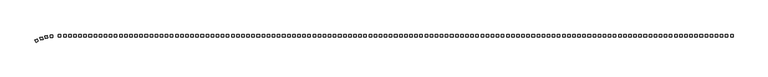
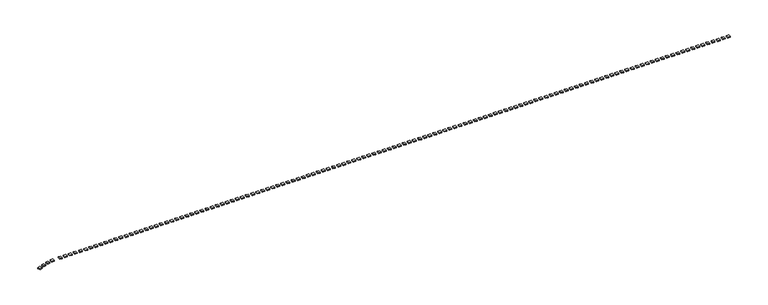
"""IFC4 building model written with IfcOpenShell, lengths in millimetres: railing geometry."""

from ifc_helpers import new_model, si_unit, origin, origin_with_axes, place, context, project, spatial, polyline, outline, extrude, source, transform, mapped, element, save


def railing_ab436716(model_context):
    return source(origin(), model_context, "Body", "SweptSolid", [
        extrude(outline(polyline([(63368.8585137, 37204.1784497), (63368.8585137, 36704.1784497), (62868.8585137, 36704.1784497), (62868.8585137, 37204.1784497), (63368.8585137, 37204.1784497)])), origin_with_axes(), (0.0, 0.0, 1.0), 200.0),
        extrude(outline(polyline([(62368.8585137, 37204.1784497), (62368.8585137, 36704.1784497), (61868.8585137, 36704.1784497), (61868.8585137, 37204.1784497), (62368.8585137, 37204.1784497)])), origin_with_axes(), (0.0, 0.0, 1.0), 200.0),
        extrude(outline(polyline([(61368.8585137, 37204.1784497), (61368.8585137, 36704.1784497), (60868.8585137, 36704.1784497), (60868.8585137, 37204.1784497), (61368.8585137, 37204.1784497)])), origin_with_axes(), (0.0, 0.0, 1.0), 200.0),
        extrude(outline(polyline([(60368.8585137, 37204.1784497), (60368.8585137, 36704.1784497), (59868.8585137, 36704.1784497), (59868.8585137, 37204.1784497), (60368.8585137, 37204.1784497)])), origin_with_axes(), (0.0, 0.0, 1.0), 200.0),
        extrude(outline(polyline([(59368.8585137, 37204.1784497), (59368.8585137, 36704.1784497), (58868.8585137, 36704.1784497), (58868.8585137, 37204.1784497), (59368.8585137, 37204.1784497)])), origin_with_axes(), (0.0, 0.0, 1.0), 200.0),
        extrude(outline(polyline([(58368.8585137, 37204.1784497), (58368.8585137, 36704.1784497), (57868.8585137, 36704.1784497), (57868.8585137, 37204.1784497), (58368.8585137, 37204.1784497)])), origin_with_axes(), (0.0, 0.0, 1.0), 200.0),
        extrude(outline(polyline([(57368.8585137, 37204.1784497), (57368.8585137, 36704.1784497), (56868.8585137, 36704.1784497), (56868.8585137, 37204.1784497), (57368.8585137, 37204.1784497)])), origin_with_axes(), (0.0, 0.0, 1.0), 200.0),
        extrude(outline(polyline([(56368.8585137, 37204.1784497), (56368.8585137, 36704.1784497), (55868.8585137, 36704.1784497), (55868.8585137, 37204.1784497), (56368.8585137, 37204.1784497)])), origin_with_axes(), (0.0, 0.0, 1.0), 200.0),
        extrude(outline(polyline([(55368.8585137, 37204.1784497), (55368.8585137, 36704.1784497), (54868.8585137, 36704.1784497), (54868.8585137, 37204.1784497), (55368.8585137, 37204.1784497)])), origin_with_axes(), (0.0, 0.0, 1.0), 200.0),
        extrude(outline(polyline([(54368.8585137, 37204.1784497), (54368.8585137, 36704.1784497), (53868.8585137, 36704.1784497), (53868.8585137, 37204.1784497), (54368.8585137, 37204.1784497)])), origin_with_axes(), (0.0, 0.0, 1.0), 200.0),
        extrude(outline(polyline([(53368.8585137, 37204.1784497), (53368.8585137, 36704.1784497), (52868.8585137, 36704.1784497), (52868.8585137, 37204.1784497), (53368.8585137, 37204.1784497)])), origin_with_axes(), (0.0, 0.0, 1.0), 200.0),
        extrude(outline(polyline([(52368.8585137, 37204.1784497), (52368.8585137, 36704.1784497), (51868.8585137, 36704.1784497), (51868.8585137, 37204.1784497), (52368.8585137, 37204.1784497)])), origin_with_axes(), (0.0, 0.0, 1.0), 200.0),
        extrude(outline(polyline([(51368.8585137, 37204.1784497), (51368.8585137, 36704.1784497), (50868.8585137, 36704.1784497), (50868.8585137, 37204.1784497), (51368.8585137, 37204.1784497)])), origin_with_axes(), (0.0, 0.0, 1.0), 200.0),
        extrude(outline(polyline([(50368.8585137, 37204.1784497), (50368.8585137, 36704.1784497), (49868.8585137, 36704.1784497), (49868.8585137, 37204.1784497), (50368.8585137, 37204.1784497)])), origin_with_axes(), (0.0, 0.0, 1.0), 200.0),
        extrude(outline(polyline([(49368.8585137, 37204.1784497), (49368.8585137, 36704.1784497), (48868.8585137, 36704.1784497), (48868.8585137, 37204.1784497), (49368.8585137, 37204.1784497)])), origin_with_axes(), (0.0, 0.0, 1.0), 200.0),
        extrude(outline(polyline([(48368.8585137, 37204.1784497), (48368.8585137, 36704.1784497), (47868.8585137, 36704.1784497), (47868.8585137, 37204.1784497), (48368.8585137, 37204.1784497)])), origin_with_axes(), (0.0, 0.0, 1.0), 200.0),
        extrude(outline(polyline([(47368.8585137, 37204.1784497), (47368.8585137, 36704.1784497), (46868.8585137, 36704.1784497), (46868.8585137, 37204.1784497), (47368.8585137, 37204.1784497)])), origin_with_axes(), (0.0, 0.0, 1.0), 200.0),
        extrude(outline(polyline([(46368.8585137, 37204.1784497), (46368.8585137, 36704.1784497), (45868.8585137, 36704.1784497), (45868.8585137, 37204.1784497), (46368.8585137, 37204.1784497)])), origin_with_axes(), (0.0, 0.0, 1.0), 200.0),
        extrude(outline(polyline([(45368.8585137, 37204.1784497), (45368.8585137, 36704.1784497), (44868.8585137, 36704.1784497), (44868.8585137, 37204.1784497), (45368.8585137, 37204.1784497)])), origin_with_axes(), (0.0, 0.0, 1.0), 200.0),
        extrude(outline(polyline([(44368.8585137, 37204.1784497), (44368.8585137, 36704.1784497), (43868.8585137, 36704.1784497), (43868.8585137, 37204.1784497), (44368.8585137, 37204.1784497)])), origin_with_axes(), (0.0, 0.0, 1.0), 200.0),
        extrude(outline(polyline([(43368.8585137, 37204.1784497), (43368.8585137, 36704.1784497), (42868.8585137, 36704.1784497), (42868.8585137, 37204.1784497), (43368.8585137, 37204.1784497)])), origin_with_axes(), (0.0, 0.0, 1.0), 200.0),
        extrude(outline(polyline([(42368.8585137, 37204.1784497), (42368.8585137, 36704.1784497), (41868.8585137, 36704.1784497), (41868.8585137, 37204.1784497), (42368.8585137, 37204.1784497)])), origin_with_axes(), (0.0, 0.0, 1.0), 200.0),
        extrude(outline(polyline([(41368.8585137, 37204.1784497), (41368.8585137, 36704.1784497), (40868.8585137, 36704.1784497), (40868.8585137, 37204.1784497), (41368.8585137, 37204.1784497)])), origin_with_axes(), (0.0, 0.0, 1.0), 200.0),
        extrude(outline(polyline([(40368.8585137, 37204.1784497), (40368.8585137, 36704.1784497), (39868.8585137, 36704.1784497), (39868.8585137, 37204.1784497), (40368.8585137, 37204.1784497)])), origin_with_axes(), (0.0, 0.0, 1.0), 200.0),
        extrude(outline(polyline([(39368.8585137, 37204.1784497), (39368.8585137, 36704.1784497), (38868.8585137, 36704.1784497), (38868.8585137, 37204.1784497), (39368.8585137, 37204.1784497)])), origin_with_axes(), (0.0, 0.0, 1.0), 200.0),
        extrude(outline(polyline([(38368.8585137, 37204.1784497), (38368.8585137, 36704.1784497), (37868.8585137, 36704.1784497), (37868.8585137, 37204.1784497), (38368.8585137, 37204.1784497)])), origin_with_axes(), (0.0, 0.0, 1.0), 200.0),
        extrude(outline(polyline([(37368.8585137, 37204.1784497), (37368.8585137, 36704.1784497), (36868.8585137, 36704.1784497), (36868.8585137, 37204.1784497), (37368.8585137, 37204.1784497)])), origin_with_axes(), (0.0, 0.0, 1.0), 200.0),
        extrude(outline(polyline([(36368.8585137, 37204.1784497), (36368.8585137, 36704.1784497), (35868.8585137, 36704.1784497), (35868.8585137, 37204.1784497), (36368.8585137, 37204.1784497)])), origin_with_axes(), (0.0, 0.0, 1.0), 200.0),
        extrude(outline(polyline([(35368.8585137, 37204.1784497), (35368.8585137, 36704.1784497), (34868.8585137, 36704.1784497), (34868.8585137, 37204.1784497), (35368.8585137, 37204.1784497)])), origin_with_axes(), (0.0, 0.0, 1.0), 200.0),
        extrude(outline(polyline([(34368.8585137, 37204.1784497), (34368.8585137, 36704.1784497), (33868.8585137, 36704.1784497), (33868.8585137, 37204.1784497), (34368.8585137, 37204.1784497)])), origin_with_axes(), (0.0, 0.0, 1.0), 200.0),
        extrude(outline(polyline([(33368.8585137, 37204.1784497), (33368.8585137, 36704.1784497), (32868.8585137, 36704.1784497), (32868.8585137, 37204.1784497), (33368.8585137, 37204.1784497)])), origin_with_axes(), (0.0, 0.0, 1.0), 200.0),
        extrude(outline(polyline([(32368.8585137, 37204.1784497), (32368.8585137, 36704.1784497), (31868.8585137, 36704.1784497), (31868.8585137, 37204.1784497), (32368.8585137, 37204.1784497)])), origin_with_axes(), (0.0, 0.0, 1.0), 200.0),
        extrude(outline(polyline([(31368.8585137, 37204.1784497), (31368.8585137, 36704.1784497), (30868.8585137, 36704.1784497), (30868.8585137, 37204.1784497), (31368.8585137, 37204.1784497)])), origin_with_axes(), (0.0, 0.0, 1.0), 200.0),
        extrude(outline(polyline([(30368.8585137, 37204.1784497), (30368.8585137, 36704.1784497), (29868.8585137, 36704.1784497), (29868.8585137, 37204.1784497), (30368.8585137, 37204.1784497)])), origin_with_axes(), (0.0, 0.0, 1.0), 200.0),
        extrude(outline(polyline([(29368.8585137, 37204.1784497), (29368.8585137, 36704.1784497), (28868.8585137, 36704.1784497), (28868.8585137, 37204.1784497), (29368.8585137, 37204.1784497)])), origin_with_axes(), (0.0, 0.0, 1.0), 200.0),
        extrude(outline(polyline([(28368.8585137, 37204.1784497), (28368.8585137, 36704.1784497), (27868.8585137, 36704.1784497), (27868.8585137, 37204.1784497), (28368.8585137, 37204.1784497)])), origin_with_axes(), (0.0, 0.0, 1.0), 200.0),
        extrude(outline(polyline([(27368.8585137, 37204.1784497), (27368.8585137, 36704.1784497), (26868.8585137, 36704.1784497), (26868.8585137, 37204.1784497), (27368.8585137, 37204.1784497)])), origin_with_axes(), (0.0, 0.0, 1.0), 200.0),
        extrude(outline(polyline([(26368.8585137, 37204.1784497), (26368.8585137, 36704.1784497), (25868.8585137, 36704.1784497), (25868.8585137, 37204.1784497), (26368.8585137, 37204.1784497)])), origin_with_axes(), (0.0, 0.0, 1.0), 200.0),
        extrude(outline(polyline([(25368.8585137, 37204.1784497), (25368.8585137, 36704.1784497), (24868.8585137, 36704.1784497), (24868.8585137, 37204.1784497), (25368.8585137, 37204.1784497)])), origin_with_axes(), (0.0, 0.0, 1.0), 200.0),
        extrude(outline(polyline([(24368.8585137, 37204.1784497), (24368.8585137, 36704.1784497), (23868.8585137, 36704.1784497), (23868.8585137, 37204.1784497), (24368.8585137, 37204.1784497)])), origin_with_axes(), (0.0, 0.0, 1.0), 200.0),
        extrude(outline(polyline([(23368.8585137, 37204.1784497), (23368.8585137, 36704.1784497), (22868.8585137, 36704.1784497), (22868.8585137, 37204.1784497), (23368.8585137, 37204.1784497)])), origin_with_axes(), (0.0, 0.0, 1.0), 200.0),
        extrude(outline(polyline([(22368.8585137, 37204.1784497), (22368.8585137, 36704.1784497), (21868.8585137, 36704.1784497), (21868.8585137, 37204.1784497), (22368.8585137, 37204.1784497)])), origin_with_axes(), (0.0, 0.0, 1.0), 200.0),
        extrude(outline(polyline([(21368.8585137, 37204.1784497), (21368.8585137, 36704.1784497), (20868.8585137, 36704.1784497), (20868.8585137, 37204.1784497), (21368.8585137, 37204.1784497)])), origin_with_axes(), (0.0, 0.0, 1.0), 200.0),
        extrude(outline(polyline([(20368.8585137, 37204.1784497), (20368.8585137, 36704.1784497), (19868.8585137, 36704.1784497), (19868.8585137, 37204.1784497), (20368.8585137, 37204.1784497)])), origin_with_axes(), (0.0, 0.0, 1.0), 200.0),
        extrude(outline(polyline([(19368.8585137, 37204.1784497), (19368.8585137, 36704.1784497), (18868.8585137, 36704.1784497), (18868.8585137, 37204.1784497), (19368.8585137, 37204.1784497)])), origin_with_axes(), (0.0, 0.0, 1.0), 200.0),
        extrude(outline(polyline([(18368.8585137, 37204.1784497), (18368.8585137, 36704.1784497), (17868.8585137, 36704.1784497), (17868.8585137, 37204.1784497), (18368.8585137, 37204.1784497)])), origin_with_axes(), (0.0, 0.0, 1.0), 200.0),
        extrude(outline(polyline([(17368.8585137, 37204.1784497), (17368.8585137, 36704.1784497), (16868.8585137, 36704.1784497), (16868.8585137, 37204.1784497), (17368.8585137, 37204.1784497)])), origin_with_axes(), (0.0, 0.0, 1.0), 200.0),
        extrude(outline(polyline([(16368.8585137, 37204.1784497), (16368.8585137, 36704.1784497), (15868.8585137, 36704.1784497), (15868.8585137, 37204.1784497), (16368.8585137, 37204.1784497)])), origin_with_axes(), (0.0, 0.0, 1.0), 200.0),
        extrude(outline(polyline([(15368.8585137, 37204.1784497), (15368.8585137, 36704.1784497), (14868.8585137, 36704.1784497), (14868.8585137, 37204.1784497), (15368.8585137, 37204.1784497)])), origin_with_axes(), (0.0, 0.0, 1.0), 200.0),
        extrude(outline(polyline([(14368.8585137, 37204.1784497), (14368.8585137, 36704.1784497), (13868.8585137, 36704.1784497), (13868.8585137, 37204.1784497), (14368.8585137, 37204.1784497)])), origin_with_axes(), (0.0, 0.0, 1.0), 200.0),
        extrude(outline(polyline([(13368.8585137, 37204.1784497), (13368.8585137, 36704.1784497), (12868.8585137, 36704.1784497), (12868.8585137, 37204.1784497), (13368.8585137, 37204.1784497)])), origin_with_axes(), (0.0, 0.0, 1.0), 200.0),
        extrude(outline(polyline([(12368.8585137, 37204.1784497), (12368.8585137, 36704.1784497), (11868.8585137, 36704.1784497), (11868.8585137, 37204.1784497), (12368.8585137, 37204.1784497)])), origin_with_axes(), (0.0, 0.0, 1.0), 200.0),
        extrude(outline(polyline([(11368.8585137, 37204.1784497), (11368.8585137, 36704.1784497), (10868.8585137, 36704.1784497), (10868.8585137, 37204.1784497), (11368.8585137, 37204.1784497)])), origin_with_axes(), (0.0, 0.0, 1.0), 200.0),
        extrude(outline(polyline([(10368.8585137, 37204.1784497), (10368.8585137, 36704.1784497), (9868.8585137, 36704.1784497), (9868.8585137, 37204.1784497), (10368.8585137, 37204.1784497)])), origin_with_axes(), (0.0, 0.0, 1.0), 200.0),
        extrude(outline(polyline([(9368.8585137, 37204.1784497), (9368.8585137, 36704.1784497), (8868.8585137, 36704.1784497), (8868.8585137, 37204.1784497), (9368.8585137, 37204.1784497)])), origin_with_axes(), (0.0, 0.0, 1.0), 200.0),
        extrude(outline(polyline([(8368.8585137, 37204.1784497), (8368.8585137, 36704.1784497), (7868.8585137, 36704.1784497), (7868.8585137, 37204.1784497), (8368.8585137, 37204.1784497)])), origin_with_axes(), (0.0, 0.0, 1.0), 200.0),
        extrude(outline(polyline([(7368.8585137, 37204.1784497), (7368.8585137, 36704.1784497), (6868.8585137, 36704.1784497), (6868.8585137, 37204.1784497), (7368.8585137, 37204.1784497)])), origin_with_axes(), (0.0, 0.0, 1.0), 200.0),
        extrude(outline(polyline([(6368.8585137, 37204.1784497), (6368.8585137, 36704.1784497), (5868.8585137, 36704.1784497), (5868.8585137, 37204.1784497), (6368.8585137, 37204.1784497)])), origin_with_axes(), (0.0, 0.0, 1.0), 200.0),
        extrude(outline(polyline([(5368.8585137, 37204.1784497), (5368.8585137, 36704.1784497), (4868.8585137, 36704.1784497), (4868.8585137, 37204.1784497), (5368.8585137, 37204.1784497)])), origin_with_axes(), (0.0, 0.0, 1.0), 200.0),
        extrude(outline(polyline([(4368.8585137, 37204.1784497), (4368.8585137, 36704.1784497), (3868.8585137, 36704.1784497), (3868.8585137, 37204.1784497), (4368.8585137, 37204.1784497)])), origin_with_axes(), (0.0, 0.0, 1.0), 200.0),
        extrude(outline(polyline([(3368.8585137, 37204.1784497), (3368.8585137, 36704.1784497), (2868.8585137, 36704.1784497), (2868.8585137, 37204.1784497), (3368.8585137, 37204.1784497)])), origin_with_axes(), (0.0, 0.0, 1.0), 200.0),
        extrude(outline(polyline([(2368.8585137, 37204.1784497), (2368.8585137, 36704.1784497), (1868.8585137, 36704.1784497), (1868.8585137, 37204.1784497), (2368.8585137, 37204.1784497)])), origin_with_axes(), (0.0, 0.0, 1.0), 200.0),
        extrude(outline(polyline([(1368.8585137, 37204.1784497), (1368.8585137, 36704.1784497), (868.8585137, 36704.1784497), (868.8585137, 37204.1784497), (1368.8585137, 37204.1784497)])), origin_with_axes(), (0.0, 0.0, 1.0), 200.0),
        extrude(outline(polyline([(368.8585137, 37204.1784497), (368.8585137, 36704.1784497), (-131.1414863, 36704.1784497), (-131.1414863, 37204.1784497), (368.8585137, 37204.1784497)])), origin_with_axes(), (0.0, 0.0, 1.0), 200.0),
        extrude(outline(polyline([(-631.1414863, 37204.1784497), (-631.1414863, 36704.1784497), (-1131.1414863, 36704.1784497), (-1131.1414863, 37204.1784497), (-631.1414863, 37204.1784497)])), origin_with_axes(), (0.0, 0.0, 1.0), 200.0),
        extrude(outline(polyline([(-1631.1414863, 37204.1784497), (-1631.1414863, 36704.1784497), (-2131.1414863, 36704.1784497), (-2131.1414863, 37204.1784497), (-1631.1414863, 37204.1784497)])), origin_with_axes(), (0.0, 0.0, 1.0), 200.0),
        extrude(outline(polyline([(-2631.1414863, 37204.1784497), (-2631.1414863, 36704.1784497), (-3131.1414863, 36704.1784497), (-3131.1414863, 37204.1784497), (-2631.1414863, 37204.1784497)])), origin_with_axes(), (0.0, 0.0, 1.0), 200.0),
        extrude(outline(polyline([(-3631.1414863, 37204.1784497), (-3631.1414863, 36704.1784497), (-4131.1414863, 36704.1784497), (-4131.1414863, 37204.1784497), (-3631.1414863, 37204.1784497)])), origin_with_axes(), (0.0, 0.0, 1.0), 200.0),
        extrude(outline(polyline([(-4631.1414863, 37204.1784497), (-4631.1414863, 36704.1784497), (-5131.1414863, 36704.1784497), (-5131.1414863, 37204.1784497), (-4631.1414863, 37204.1784497)])), origin_with_axes(), (0.0, 0.0, 1.0), 200.0),
        extrude(outline(polyline([(-5631.1414863, 37204.1784497), (-5631.1414863, 36704.1784497), (-6131.1414863, 36704.1784497), (-6131.1414863, 37204.1784497), (-5631.1414863, 37204.1784497)])), origin_with_axes(), (0.0, 0.0, 1.0), 200.0),
        extrude(outline(polyline([(-6631.1414863, 37204.1784497), (-6631.1414863, 36704.1784497), (-7131.1414863, 36704.1784497), (-7131.1414863, 37204.1784497), (-6631.1414863, 37204.1784497)])), origin_with_axes(), (0.0, 0.0, 1.0), 200.0),
        extrude(outline(polyline([(-7631.1414863, 37204.1784497), (-7631.1414863, 36704.1784497), (-8131.1414863, 36704.1784497), (-8131.1414863, 37204.1784497), (-7631.1414863, 37204.1784497)])), origin_with_axes(), (0.0, 0.0, 1.0), 200.0),
        extrude(outline(polyline([(-8631.1414863, 37204.1784497), (-8631.1414863, 36704.1784497), (-9131.1414863, 36704.1784497), (-9131.1414863, 37204.1784497), (-8631.1414863, 37204.1784497)])), origin_with_axes(), (0.0, 0.0, 1.0), 200.0),
        extrude(outline(polyline([(-9631.1414863, 37204.1784497), (-9631.1414863, 36704.1784497), (-10131.1414863, 36704.1784497), (-10131.1414863, 37204.1784497), (-9631.1414863, 37204.1784497)])), origin_with_axes(), (0.0, 0.0, 1.0), 200.0),
        extrude(outline(polyline([(-10631.1414863, 37204.1784497), (-10631.1414863, 36704.1784497), (-11131.1414863, 36704.1784497), (-11131.1414863, 37204.1784497), (-10631.1414863, 37204.1784497)])), origin_with_axes(), (0.0, 0.0, 1.0), 200.0),
        extrude(outline(polyline([(-11631.1414863, 37204.1784497), (-11631.1414863, 36704.1784497), (-12131.1414863, 36704.1784497), (-12131.1414863, 37204.1784497), (-11631.1414863, 37204.1784497)])), origin_with_axes(), (0.0, 0.0, 1.0), 200.0),
        extrude(outline(polyline([(-12631.1414863, 37204.1784497), (-12631.1414863, 36704.1784497), (-13131.1414863, 36704.1784497), (-13131.1414863, 37204.1784497), (-12631.1414863, 37204.1784497)])), origin_with_axes(), (0.0, 0.0, 1.0), 200.0),
        extrude(outline(polyline([(-13631.1414863, 37204.1784497), (-13631.1414863, 36704.1784497), (-14131.1414863, 36704.1784497), (-14131.1414863, 37204.1784497), (-13631.1414863, 37204.1784497)])), origin_with_axes(), (0.0, 0.0, 1.0), 200.0),
        extrude(outline(polyline([(-14631.1414863, 37204.1784497), (-14631.1414863, 36704.1784497), (-15131.1414863, 36704.1784497), (-15131.1414863, 37204.1784497), (-14631.1414863, 37204.1784497)])), origin_with_axes(), (0.0, 0.0, 1.0), 200.0),
        extrude(outline(polyline([(-15631.1414863, 37204.1784497), (-15631.1414863, 36704.1784497), (-16131.1414863, 36704.1784497), (-16131.1414863, 37204.1784497), (-15631.1414863, 37204.1784497)])), origin_with_axes(), (0.0, 0.0, 1.0), 200.0),
        extrude(outline(polyline([(-16631.1414863, 37204.1784497), (-16631.1414863, 36704.1784497), (-17131.1414863, 36704.1784497), (-17131.1414863, 37204.1784497), (-16631.1414863, 37204.1784497)])), origin_with_axes(), (0.0, 0.0, 1.0), 200.0),
        extrude(outline(polyline([(-17631.1414863, 37204.1784497), (-17631.1414863, 36704.1784497), (-18131.1414863, 36704.1784497), (-18131.1414863, 37204.1784497), (-17631.1414863, 37204.1784497)])), origin_with_axes(), (0.0, 0.0, 1.0), 200.0),
        extrude(outline(polyline([(-18631.1414863, 37204.1784497), (-18631.1414863, 36704.1784497), (-19131.1414863, 36704.1784497), (-19131.1414863, 37204.1784497), (-18631.1414863, 37204.1784497)])), origin_with_axes(), (0.0, 0.0, 1.0), 200.0),
        extrude(outline(polyline([(-19631.1414863, 37204.1784497), (-19631.1414863, 36704.1784497), (-20131.1414863, 36704.1784497), (-20131.1414863, 37204.1784497), (-19631.1414863, 37204.1784497)])), origin_with_axes(), (0.0, 0.0, 1.0), 200.0),
        extrude(outline(polyline([(-20631.1414863, 37204.1784497), (-20631.1414863, 36704.1784497), (-21131.1414863, 36704.1784497), (-21131.1414863, 37204.1784497), (-20631.1414863, 37204.1784497)])), origin_with_axes(), (0.0, 0.0, 1.0), 200.0),
        extrude(outline(polyline([(-21631.1414863, 37204.1784497), (-21631.1414863, 36704.1784497), (-22131.1414863, 36704.1784497), (-22131.1414863, 37204.1784497), (-21631.1414863, 37204.1784497)])), origin_with_axes(), (0.0, 0.0, 1.0), 200.0),
        extrude(outline(polyline([(-22631.1414863, 37204.1784497), (-22631.1414863, 36704.1784497), (-23131.1414863, 36704.1784497), (-23131.1414863, 37204.1784497), (-22631.1414863, 37204.1784497)])), origin_with_axes(), (0.0, 0.0, 1.0), 200.0),
        extrude(outline(polyline([(-23631.1414863, 37204.1784497), (-23631.1414863, 36704.1784497), (-24131.1414863, 36704.1784497), (-24131.1414863, 37204.1784497), (-23631.1414863, 37204.1784497)])), origin_with_axes(), (0.0, 0.0, 1.0), 200.0),
        extrude(outline(polyline([(-24631.1414863, 37204.1784497), (-24631.1414863, 36704.1784497), (-25131.1414863, 36704.1784497), (-25131.1414863, 37204.1784497), (-24631.1414863, 37204.1784497)])), origin_with_axes(), (0.0, 0.0, 1.0), 200.0),
        extrude(outline(polyline([(-25631.1414863, 37204.1784497), (-25631.1414863, 36704.1784497), (-26131.1414863, 36704.1784497), (-26131.1414863, 37204.1784497), (-25631.1414863, 37204.1784497)])), origin_with_axes(), (0.0, 0.0, 1.0), 200.0),
        extrude(outline(polyline([(-26631.1414863, 37204.1784497), (-26631.1414863, 36704.1784497), (-27131.1414863, 36704.1784497), (-27131.1414863, 37204.1784497), (-26631.1414863, 37204.1784497)])), origin_with_axes(), (0.0, 0.0, 1.0), 200.0),
        extrude(outline(polyline([(-27631.1414863, 37204.1784497), (-27631.1414863, 36704.1784497), (-28131.1414863, 36704.1784497), (-28131.1414863, 37204.1784497), (-27631.1414863, 37204.1784497)])), origin_with_axes(), (0.0, 0.0, 1.0), 200.0),
        extrude(outline(polyline([(-28631.1414863, 37204.1784497), (-28631.1414863, 36704.1784497), (-29131.1414863, 36704.1784497), (-29131.1414863, 37204.1784497), (-28631.1414863, 37204.1784497)])), origin_with_axes(), (0.0, 0.0, 1.0), 200.0),
        extrude(outline(polyline([(-29631.1414863, 37204.1784497), (-29631.1414863, 36704.1784497), (-30131.1414863, 36704.1784497), (-30131.1414863, 37204.1784497), (-29631.1414863, 37204.1784497)])), origin_with_axes(), (0.0, 0.0, 1.0), 200.0),
        extrude(outline(polyline([(-30631.1414863, 37204.1784497), (-30631.1414863, 36704.1784497), (-31131.1414863, 36704.1784497), (-31131.1414863, 37204.1784497), (-30631.1414863, 37204.1784497)])), origin_with_axes(), (0.0, 0.0, 1.0), 200.0),
        extrude(outline(polyline([(-31631.1414863, 37204.1784497), (-31631.1414863, 36704.1784497), (-32131.1414863, 36704.1784497), (-32131.1414863, 37204.1784497), (-31631.1414863, 37204.1784497)])), origin_with_axes(), (0.0, 0.0, 1.0), 200.0),
        extrude(outline(polyline([(-32631.1414863, 37204.1784497), (-32631.1414863, 36704.1784497), (-33131.1414863, 36704.1784497), (-33131.1414863, 37204.1784497), (-32631.1414863, 37204.1784497)])), origin_with_axes(), (0.0, 0.0, 1.0), 200.0),
        extrude(outline(polyline([(-33631.1414863, 37204.1784497), (-33631.1414863, 36704.1784497), (-34131.1414863, 36704.1784497), (-34131.1414863, 37204.1784497), (-33631.1414863, 37204.1784497)])), origin_with_axes(), (0.0, 0.0, 1.0), 200.0),
        extrude(outline(polyline([(-34631.1414863, 37204.1784497), (-34631.1414863, 36704.1784497), (-35131.1414863, 36704.1784497), (-35131.1414863, 37204.1784497), (-34631.1414863, 37204.1784497)])), origin_with_axes(), (0.0, 0.0, 1.0), 200.0),
        extrude(outline(polyline([(-35631.1414863, 37204.1784497), (-35631.1414863, 36704.1784497), (-36131.1414863, 36704.1784497), (-36131.1414863, 37204.1784497), (-35631.1414863, 37204.1784497)])), origin_with_axes(), (0.0, 0.0, 1.0), 200.0),
        extrude(outline(polyline([(-36631.1414863, 37204.1784497), (-36631.1414863, 36704.1784497), (-37131.1414863, 36704.1784497), (-37131.1414863, 37204.1784497), (-36631.1414863, 37204.1784497)])), origin_with_axes(), (0.0, 0.0, 1.0), 200.0),
        extrude(outline(polyline([(-37631.1414863, 37204.1784497), (-37631.1414863, 36704.1784497), (-38131.1414863, 36704.1784497), (-38131.1414863, 37204.1784497), (-37631.1414863, 37204.1784497)])), origin_with_axes(), (0.0, 0.0, 1.0), 200.0),
        extrude(outline(polyline([(-38631.1414863, 37204.1784497), (-38631.1414863, 36704.1784497), (-39131.1414863, 36704.1784497), (-39131.1414863, 37204.1784497), (-38631.1414863, 37204.1784497)])), origin_with_axes(), (0.0, 0.0, 1.0), 200.0),
        extrude(outline(polyline([(-39631.1414863, 37204.1784497), (-39631.1414863, 36704.1784497), (-40131.1414863, 36704.1784497), (-40131.1414863, 37204.1784497), (-39631.1414863, 37204.1784497)])), origin_with_axes(), (0.0, 0.0, 1.0), 200.0),
        extrude(outline(polyline([(-40631.1414863, 37204.1784497), (-40631.1414863, 36704.1784497), (-41131.1414863, 36704.1784497), (-41131.1414863, 37204.1784497), (-40631.1414863, 37204.1784497)])), origin_with_axes(), (0.0, 0.0, 1.0), 200.0),
        extrude(outline(polyline([(-41631.1414863, 37204.1784497), (-41631.1414863, 36704.1784497), (-42131.1414863, 36704.1784497), (-42131.1414863, 37204.1784497), (-41631.1414863, 37204.1784497)])), origin_with_axes(), (0.0, 0.0, 1.0), 200.0),
        extrude(outline(polyline([(-42631.1414863, 37204.1784497), (-42631.1414863, 36704.1784497), (-43131.1414863, 36704.1784497), (-43131.1414863, 37204.1784497), (-42631.1414863, 37204.1784497)])), origin_with_axes(), (0.0, 0.0, 1.0), 200.0),
        extrude(outline(polyline([(-43631.1414863, 37204.1784497), (-43631.1414863, 36704.1784497), (-44131.1414863, 36704.1784497), (-44131.1414863, 37204.1784497), (-43631.1414863, 37204.1784497)])), origin_with_axes(), (0.0, 0.0, 1.0), 200.0),
        extrude(outline(polyline([(-44631.1414863, 37204.1784497), (-44631.1414863, 36704.1784497), (-45131.1414863, 36704.1784497), (-45131.1414863, 37204.1784497), (-44631.1414863, 37204.1784497)])), origin_with_axes(), (0.0, 0.0, 1.0), 200.0),
        extrude(outline(polyline([(-45631.1414863, 37204.1784497), (-45631.1414863, 36704.1784497), (-46131.1414863, 36704.1784497), (-46131.1414863, 37204.1784497), (-45631.1414863, 37204.1784497)])), origin_with_axes(), (0.0, 0.0, 1.0), 200.0),
        extrude(outline(polyline([(-46631.1414863, 37204.1784497), (-46631.1414863, 36704.1784497), (-47131.1414863, 36704.1784497), (-47131.1414863, 37204.1784497), (-46631.1414863, 37204.1784497)])), origin_with_axes(), (0.0, 0.0, 1.0), 200.0),
        extrude(outline(polyline([(-47631.1414863, 37204.1784497), (-47631.1414863, 36704.1784497), (-48131.1414863, 36704.1784497), (-48131.1414863, 37204.1784497), (-47631.1414863, 37204.1784497)])), origin_with_axes(), (0.0, 0.0, 1.0), 200.0),
        extrude(outline(polyline([(-48631.1414863, 37204.1784497), (-48631.1414863, 36704.1784497), (-49131.1414863, 36704.1784497), (-49131.1414863, 37204.1784497), (-48631.1414863, 37204.1784497)])), origin_with_axes(), (0.0, 0.0, 1.0), 200.0),
        extrude(outline(polyline([(-49631.1414863, 37204.1784497), (-49631.1414863, 36704.1784497), (-50131.1414863, 36704.1784497), (-50131.1414863, 37204.1784497), (-49631.1414863, 37204.1784497)])), origin_with_axes(), (0.0, 0.0, 1.0), 200.0),
        extrude(outline(polyline([(-50631.1414863, 37204.1784497), (-50631.1414863, 36704.1784497), (-51131.1414863, 36704.1784497), (-51131.1414863, 37204.1784497), (-50631.1414863, 37204.1784497)])), origin_with_axes(), (0.0, 0.0, 1.0), 200.0),
        extrude(outline(polyline([(-51631.1414863, 37204.1784497), (-51631.1414863, 36704.1784497), (-52131.1414863, 36704.1784497), (-52131.1414863, 37204.1784497), (-51631.1414863, 37204.1784497)])), origin_with_axes(), (0.0, 0.0, 1.0), 200.0),
        extrude(outline(polyline([(-52631.1414863, 37204.1784497), (-52631.1414863, 36704.1784497), (-53131.1414863, 36704.1784497), (-53131.1414863, 37204.1784497), (-52631.1414863, 37204.1784497)])), origin_with_axes(), (0.0, 0.0, 1.0), 200.0),
        extrude(outline(polyline([(-53631.1414863, 37204.1784497), (-53631.1414863, 36704.1784497), (-54131.1414863, 36704.1784497), (-54131.1414863, 37204.1784497), (-53631.1414863, 37204.1784497)])), origin_with_axes(), (0.0, 0.0, 1.0), 200.0),
        extrude(outline(polyline([(-54631.1414863, 37204.1784497), (-54631.1414863, 36704.1784497), (-55131.1414863, 36704.1784497), (-55131.1414863, 37204.1784497), (-54631.1414863, 37204.1784497)])), origin_with_axes(), (0.0, 0.0, 1.0), 200.0),
        extrude(outline(polyline([(-55631.1414863, 37204.1784497), (-55631.1414863, 36704.1784497), (-56131.1414863, 36704.1784497), (-56131.1414863, 37204.1784497), (-55631.1414863, 37204.1784497)])), origin_with_axes(), (0.0, 0.0, 1.0), 200.0),
        extrude(outline(polyline([(-56631.1414863, 37204.1784497), (-56631.1414863, 36704.1784497), (-57131.1414863, 36704.1784497), (-57131.1414863, 37204.1784497), (-56631.1414863, 37204.1784497)])), origin_with_axes(), (0.0, 0.0, 1.0), 200.0),
        extrude(outline(polyline([(-57631.1414863, 37204.1784497), (-57631.1414863, 36704.1784497), (-58131.1414863, 36704.1784497), (-58131.1414863, 37204.1784497), (-57631.1414863, 37204.1784497)])), origin_with_axes(), (0.0, 0.0, 1.0), 200.0),
        extrude(outline(polyline([(-58631.1414863, 37204.1784497), (-58631.1414863, 36704.1784497), (-59131.1414863, 36704.1784497), (-59131.1414863, 37204.1784497), (-58631.1414863, 37204.1784497)])), origin_with_axes(), (0.0, 0.0, 1.0), 200.0),
        extrude(outline(polyline([(-59631.1414863, 37204.1784497), (-59631.1414863, 36704.1784497), (-60131.1414863, 36704.1784497), (-60131.1414863, 37204.1784497), (-59631.1414863, 37204.1784497)])), origin_with_axes(), (0.0, 0.0, 1.0), 200.0),
        extrude(outline(polyline([(-60631.1414863, 37204.1784497), (-60631.1414863, 36704.1784497), (-61131.1414863, 36704.1784497), (-61131.1414863, 37204.1784497), (-60631.1414863, 37204.1784497)])), origin_with_axes(), (0.0, 0.0, 1.0), 200.0),
        extrude(outline(polyline([(-61631.1414863, 37204.1784497), (-61631.1414863, 36704.1784497), (-62131.1414863, 36704.1784497), (-62131.1414863, 37204.1784497), (-61631.1414863, 37204.1784497)])), origin_with_axes(), (0.0, 0.0, 1.0), 200.0),
        extrude(outline(polyline([(-62631.1414863, 37204.1784497), (-62631.1414863, 36704.1784497), (-63131.1414863, 36704.1784497), (-63131.1414863, 37204.1784497), (-62631.1414863, 37204.1784497)])), origin_with_axes(), (0.0, 0.0, 1.0), 200.0),
        extrude(outline(polyline([(-63631.1414863, 37204.1784497), (-63631.1414863, 36704.1784497), (-64131.1414863, 36704.1784497), (-64131.1414863, 37204.1784497), (-63631.1414863, 37204.1784497)])), origin_with_axes(), (0.0, 0.0, 1.0), 200.0),
        extrude(outline(polyline([(-64631.1414863, 37204.1784497), (-64631.1414863, 36704.1784497), (-65131.1414863, 36704.1784497), (-65131.1414863, 37204.1784497), (-64631.1414863, 37204.1784497)])), origin_with_axes(), (0.0, 0.0, 1.0), 200.0),
        extrude(outline(polyline([(-65631.1414863, 37204.1784497), (-65631.1414863, 36704.1784497), (-66131.1414863, 36704.1784497), (-66131.1414863, 37204.1784497), (-65631.1414863, 37204.1784497)])), origin_with_axes(), (0.0, 0.0, 1.0), 200.0),
        extrude(outline(polyline([(-66631.1414863, 37204.1784497), (-66631.1414863, 36704.1784497), (-67131.1414863, 36704.1784497), (-67131.1414863, 37204.1784497), (-66631.1414863, 37204.1784497)])), origin_with_axes(), (0.0, 0.0, 1.0), 200.0),
        extrude(outline(polyline([(-67631.1414863, 37204.1784497), (-67631.1414863, 36704.1784497), (-68131.1414863, 36704.1784497), (-68131.1414863, 37204.1784497), (-67631.1414863, 37204.1784497)])), origin_with_axes(), (0.0, 0.0, 1.0), 200.0),
        extrude(outline(polyline([(-68631.1414863, 37204.1784497), (-68631.1414863, 36704.1784497), (-69131.1414863, 36704.1784497), (-69131.1414863, 37204.1784497), (-68631.1414863, 37204.1784497)])), origin_with_axes(), (0.0, 0.0, 1.0), 200.0),
        extrude(outline(polyline([(-70232.4077004, 37182.8858359), (-70197.0390996, 36684.1383426), (-70695.7865929, 36648.7697417), (-70731.1551937, 37147.517235), (-70232.4077004, 37182.8858359)])), origin_with_axes(), (0.0, 0.0, 1.0), 200.0),
        extrude(outline(polyline([(-71284.7970042, 37041.7694344), (-71187.5231502, 36551.3229059), (-71677.9696787, 36454.0490519), (-71775.2435327, 36944.4955804), (-71284.7970042, 37041.7694344)])), origin_with_axes(), (0.0, 0.0, 1.0), 200.0),
        extrude(outline(polyline([(-72311.3815666, 36770.5477143), (-72153.7203854, 36296.0554046), (-72628.2126951, 36138.3942234), (-72785.8738763, 36612.8865331), (-72311.3815666, 36770.5477143)])), origin_with_axes(), (0.0, 0.0, 1.0), 200.0),
        extrude(outline(polyline([(-73296.1418791, 36373.4529996), (-73080.5536207, 35922.3192025), (-73531.6874177, 35706.7309441), (-73747.2756761, 36157.8647412), (-73296.1418791, 36373.4529996)])), origin_with_axes(), (0.0, 0.0, 1.0), 200.0),
    ])


if __name__ == "__main__":
    model = new_model("IFC4")
    model_context = context("Model", 3, world=origin())
    ifc_project = project(units=[si_unit("LENGTHUNIT", "METRE", prefix="MILLI")], contexts=[model_context])
    site = spatial("IfcSite", under=ifc_project)
    building = spatial("IfcBuilding", under=site)
    placement = place(None, origin())
    railing_shape = railing_ab436716(model_context)
    element("IfcRailing", 1, at=placement, inside=building, context=model_context, shape_type="MappedRepresentation", body=[
        mapped(railing_shape, transform((0.0, 0.0, 0.0), x_axis=(1.0, 0.0, 0.0), y_axis=(0.0, 1.0, 0.0), z_axis=(0.0, 0.0, 1.0))),
    ])
    save(model, "model.ifc")
